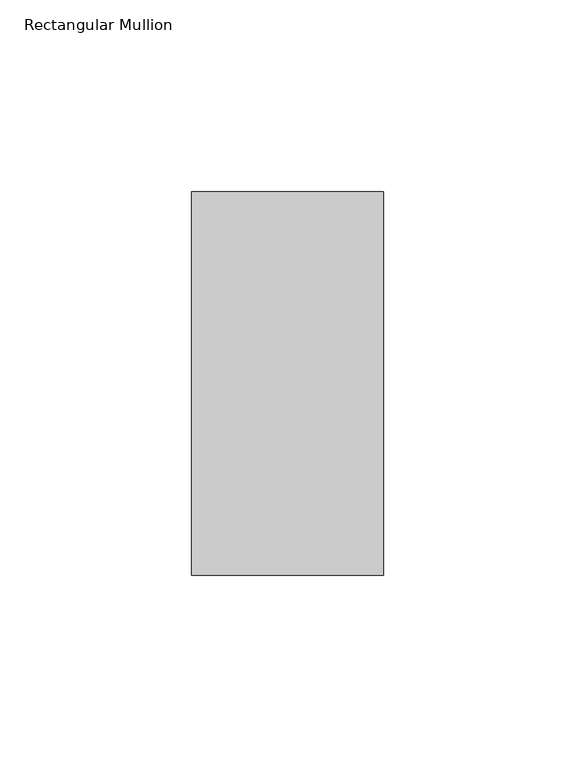
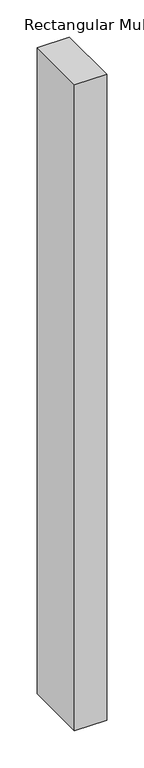
"""IFC4 building model written with IfcOpenShell, lengths in millimetres: member geometry, Rectangular Mullion."""

from ifc_helpers import new_model, si_unit, frame, origin, place, context, project, spatial, polyline, outline, extrude, source, transform, mapped, element, save


def rectangular_mullion_8ca0e54e(model_context):
    return source(origin(), model_context, "Body", "SweptSolid", [
        extrude(outline(polyline([(25.0, 69.0), (25.0, -31.0), (-25.0, -31.0), (-25.0, 69.0), (25.0, 69.0)])), frame((0.0, 0.0, -1060.0), z_axis=(0.0, 0.0, 1.0), x_axis=(1.0, 0.0, 0.0)), (0.0, 0.0, 1.0), 1060.0),
    ])


if __name__ == "__main__":
    model = new_model("IFC4")
    model_context = context("Model", 3, world=origin())
    ifc_project = project(units=[si_unit("LENGTHUNIT", "METRE", prefix="MILLI")], contexts=[model_context])
    site = spatial("IfcSite", under=ifc_project)
    building = spatial("IfcBuilding", under=site)
    placement = place(None, origin())
    rectangular_mullion_shape = rectangular_mullion_8ca0e54e(model_context)
    element("IfcMember", 1, ObjectType="Rectangular Mullion", at=placement, inside=building, context=model_context, shape_type="MappedRepresentation", body=[
        mapped(rectangular_mullion_shape, transform((0.0, 0.0, 0.0), x_axis=(1.0, 0.0, 0.0), y_axis=(0.0, 1.0, 0.0), z_axis=(0.0, 0.0, 1.0))),
    ])
    save(model, "model.ifc")
